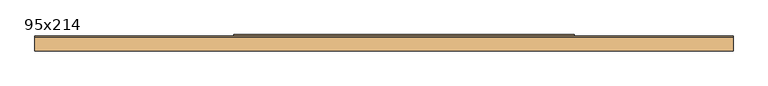
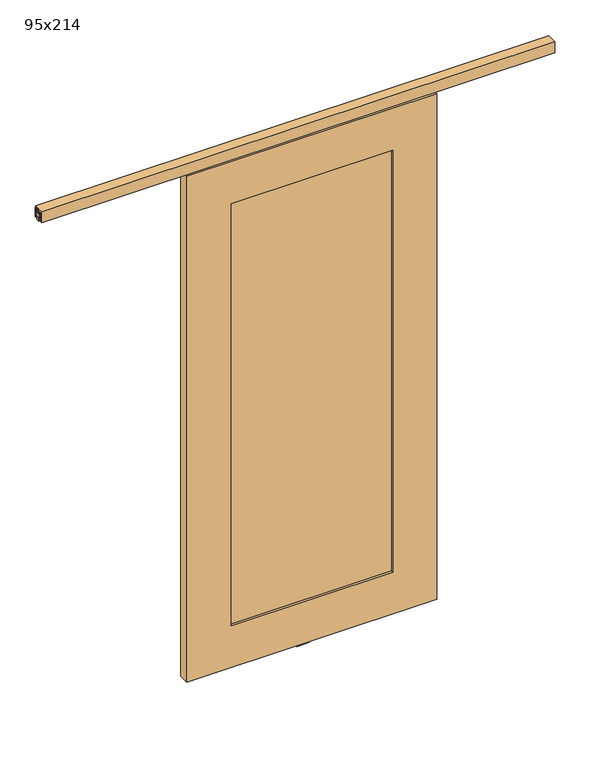
"""IFC4 building model written with IfcOpenShell, lengths in millimetres: door geometry, 95x214."""

from ifc_helpers import new_model, si_unit, frame, origin, place, context, project, spatial, polyline, outline, extrude, faceted_brep, source, transform, mapped, element, save


def door_95x214_2a287748(model_context):
    return source(origin(), model_context, "Body", "SolidModel", [
        extrude(outline(polyline([(210.8, 93.1173299), (210.8, 118.5173299), (856.0, 118.5173299), (856.0, 93.1173299), (210.8, 93.1173299)])), frame((0.0, 0.0, 184.15), z_axis=(0.0, 0.0, 1.0), x_axis=(1.0, 0.0, 0.0)), (0.0, 0.0, 1.0), 1784.4),
        faceted_brep([(1033.8, 84.93125, 2146.35), (33.0, 84.93125, 2146.35), (33.0, 84.93125, 6.35), (1033.8, 84.93125, 6.35), (856.0, 84.93125, 1968.55), (856.0, 84.93125, 184.15), (210.8, 84.93125, 184.15), (210.8, 84.93125, 1968.55), (1033.8, 126.20625, 2146.35), (1033.8, 126.20625, 6.35), (33.0, 126.20625, 6.35), (33.0, 126.20625, 2146.35), (856.0, 126.20625, 1968.55), (210.8, 126.20625, 1968.55), (210.8, 126.20625, 184.15), (856.0, 126.20625, 184.15), (39.35, 94.45625, 6.35), (1027.45, 94.45625, 6.35), (1027.45, 116.68125, 6.35), (39.35, 116.68125, 6.35), (39.35, 94.45625, 19.05), (39.35, 116.68125, 19.05), (1027.45, 94.45625, 19.05), (1027.45, 116.68125, 19.05)], [[[0, 1, 2, 3], [4, 5, 6, 7]], [[8, 9, 10, 11], [12, 13, 14, 15]], [[3, 9, 8, 0]], [[2, 10, 9, 3], [16, 17, 18, 19]], [[1, 11, 10, 2]], [[0, 8, 11, 1]], [[7, 13, 12, 4]], [[6, 14, 13, 7]], [[5, 15, 14, 6]], [[4, 12, 15, 5]], [[20, 16, 19, 21]], [[22, 23, 18, 17]], [[20, 22, 17, 16]], [[19, 18, 23, 21]], [[21, 23, 22, 20]]]),
        extrude(outline(polyline([(89.0002848, 3.96875), (100.9065348, 3.96875), (100.9065348, 23.8125), (110.8284098, 23.8125), (110.8284098, 3.96875), (122.7346598, 3.96875), (122.7346598, 0.0), (89.0002848, 0.0), (89.0002848, 3.96875)])), frame((475.0, 0.0, 0.0), z_axis=(1.0, 0.0, 0.0), x_axis=(0.0, 1.0, 0.0)), (0.0, 0.0, 1.0), 50.8),
        extrude(outline(polyline([(110.2666602, 2194.5170224), (122.3596637, 2194.5170224), (122.3596637, 2157.9634293), (113.7294737, 2157.9634293), (113.7294737, 2160.0874438), (118.2607047, 2160.0874438), (118.2607047, 2162.9194632), (119.8183154, 2162.9194632), (119.8183154, 2192.1019124), (110.2666602, 2192.1019124), (110.2666602, 2194.5170224)])), frame((-551.2, 0.0, 0.0), z_axis=(1.0, 0.0, 0.0), x_axis=(0.0, 1.0, 0.0)), (0.0, 0.0, 1.0), 2052.4),
        extrude(outline(polyline([(101.4466138, 2194.5170224), (101.4466138, 2192.1019124), (91.9547616, 2192.1019124), (91.9547616, 2162.9194632), (93.5123723, 2162.9194632), (93.5123723, 2160.0874438), (98.0436034, 2160.0874438), (98.0436034, 2157.9634293), (89.4134133, 2157.9634293), (89.4134133, 2194.5170224), (101.4466138, 2194.5170224)])), frame((-551.2, 0.0, 0.0), z_axis=(1.0, 0.0, 0.0), x_axis=(0.0, 1.0, 0.0)), (0.0, 0.0, 1.0), 2052.4),
        extrude(outline(polyline([(93.5123723, 2169.7195308), (91.9547616, 2169.7195308), (91.9547616, 2182.4195308), (93.5123723, 2182.4195308), (93.5123723, 2191.2561759), (98.1431476, 2191.2561759), (98.1431476, 2182.4195308), (113.6897325, 2182.4195308), (113.6897325, 2191.2561759), (118.3205078, 2191.2561759), (118.3205078, 2182.4195308), (119.8781184, 2182.4195308), (119.8781184, 2169.7195308), (118.3205078, 2169.7195308), (118.3205078, 2177.0154167), (113.7892767, 2177.0154167), (113.7892767, 2169.7195308), (98.0436034, 2169.7195308), (98.0436034, 2159.2417073), (93.5123723, 2159.2417073), (93.5123723, 2169.7195308)])), frame((-551.2, 0.0, 0.0), z_axis=(1.0, 0.0, 0.0), x_axis=(0.0, 1.0, 0.0)), (0.0, 0.0, 1.0), 2052.4),
        extrude(outline(polyline([(-551.2, 112.7288605), (1501.2, 112.7288605), (1501.2, 98.9057993), (-551.2, 98.9057993), (-551.2, 112.7288605)])), frame((0.0, 0.0, 2153.703846), z_axis=(0.0, 0.0, 1.0), x_axis=(1.0, 0.0, 0.0)), (0.0, 0.0, 1.0), 15.0490822),
        extrude(outline(polyline([(78.3065387, 2206.0403012), (119.3820783, 2206.0403012), (122.3596637, 2194.9278012), (112.2936343, 2194.9278012), (112.2936343, 2198.058535), (115.44144, 2198.058535), (115.44144, 2201.2720123), (96.39144, 2201.2720123), (96.39144, 2198.058535), (99.5392457, 2198.058535), (99.5392457, 2194.9278012), (89.4190387, 2194.9278012), (89.4190387, 2190.7156513), (83.0690387, 2190.7156513), (83.0690387, 2171.6656513), (85.0377298, 2169.6969603), (85.0377298, 2162.3609868), (89.4190387, 2162.3609868), (89.4190387, 2159.2090512), (78.3065387, 2159.2090512), (78.3065387, 2206.0403012)])), frame((-551.2, 0.0, 0.0), z_axis=(1.0, 0.0, 0.0), x_axis=(0.0, 1.0, 0.0)), (0.0, 0.0, 1.0), 2052.4),
    ])


if __name__ == "__main__":
    model = new_model("IFC4")
    model_context = context("Model", 3, world=origin())
    ifc_project = project(units=[si_unit("LENGTHUNIT", "METRE", prefix="MILLI")], contexts=[model_context])
    site = spatial("IfcSite", under=ifc_project)
    building = spatial("IfcBuilding", under=site)
    placement = place(None, origin())
    door_95x214_shape = door_95x214_2a287748(model_context)
    element("IfcDoor", 1, ObjectType="95x214", at=placement, inside=building, context=model_context, shape_type="MappedRepresentation", body=[
        mapped(door_95x214_shape, transform((0.0, 0.0, 0.0), x_axis=(1.0, 0.0, 0.0), y_axis=(0.0, 1.0, 0.0), z_axis=(0.0, 0.0, 1.0))),
    ])
    save(model, "model.ifc")
